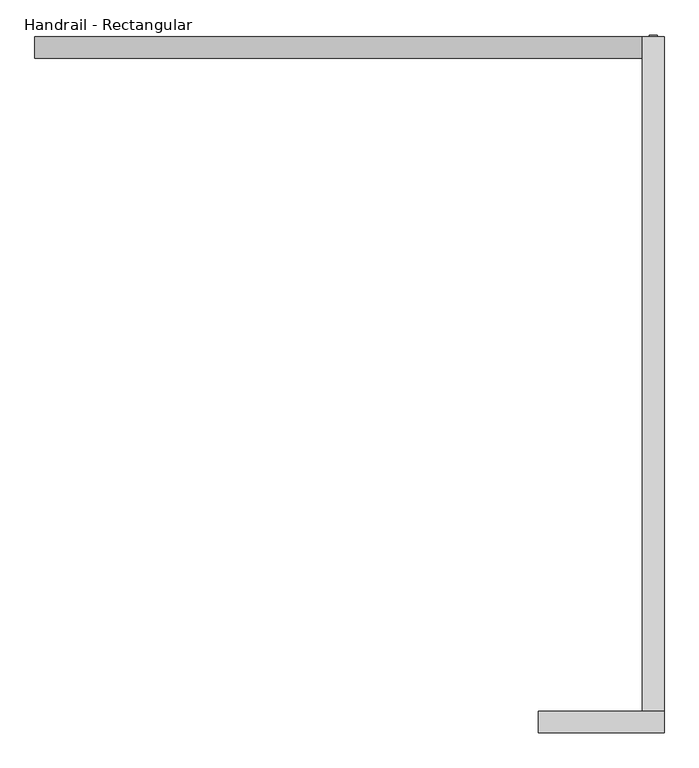
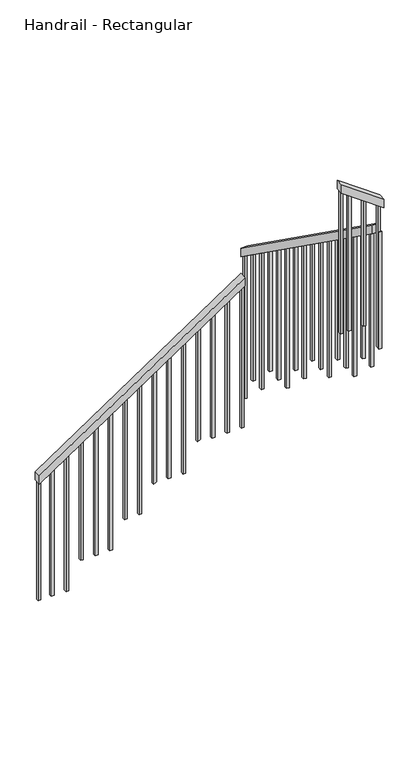
"""IFC4 building model written with IfcOpenShell, lengths in millimetres: railing geometry, Handrail - Rectangular."""

import ifcopenshell
import ifcopenshell.guid

model = None  # the IFC model being written
_history = None  # IfcOwnerHistory: only IFC2X3 demands one
_inside = {}  # id of a spatial element -> (the spatial element, [elements in it])
_under = {}  # id of a project, library or spatial element -> (it, [spatial elements below it])
_declared = {}  # id of a project -> (the project, [libraries it declares])
_typed = {}  # id of a type object -> (the type object, [elements of that type])
_made_of = {}  # id of a material, layer set ... -> (it, [elements and type objects made of it])


def new_model(schema):
    """Start an empty IFC model of exactly this schema.

    Asked for "IFC4X3", IfcOpenShell would pick the latest addendum, in which some entities
    have other attributes; the version numbers below select the first issue.
    IFC2X3 requires an IfcOwnerHistory on every rooted entity: one is made here for all.
    """
    global model, _history
    if schema == "IFC4X3":
        model = ifcopenshell.file(schema_version=(4, 3, 0, 0))
    else:
        model = ifcopenshell.file(schema=schema)
    _inside.clear()
    _under.clear()
    _declared.clear()
    _typed.clear()
    _made_of.clear()
    _history = None
    if model.schema == "IFC2X3":
        org = make("IfcOrganization", Name="unknown")
        user = make(
            "IfcPersonAndOrganization",
            ThePerson=make("IfcPerson", FamilyName="unknown"),
            TheOrganization=org,
        )
        app = make(
            "IfcApplication",
            ApplicationDeveloper=org,
            Version="unknown",
            ApplicationFullName="unknown",
            ApplicationIdentifier="unknown",
        )
        _history = make(
            "IfcOwnerHistory",
            OwningUser=user,
            OwningApplication=app,
            ChangeAction="ADDED",
            CreationDate=0,
        )
    return model


def make(cls, **values):
    """One entity of the class cls with the attributes given. An attribute that is None is left unset."""
    return model.create_entity(
        cls, **{name: value for name, value in values.items() if value is not None}
    )


def rooted(cls, **values):
    """An entity with a GlobalId (a new one), such as an element, a storey or a relation."""
    return make(cls, GlobalId=ifcopenshell.guid.new(), OwnerHistory=_history, **values)


def si_unit(unit_type, name, prefix=None):
    """IfcSIUnit, for example si_unit("LENGTHUNIT", "METRE", prefix="MILLI")."""
    return make("IfcSIUnit", UnitType=unit_type, Prefix=prefix, Name=name)


def assignment(units):
    """IfcUnitAssignment: the units of a project."""
    return None if units is None else make("IfcUnitAssignment", Units=units)


def point(xyz):
    """IfcCartesianPoint."""
    return None if xyz is None else make("IfcCartesianPoint", Coordinates=xyz)


def direction(xyz):
    """IfcDirection."""
    return None if xyz is None else make("IfcDirection", DirectionRatios=xyz)


def frame(location, z_axis=None, x_axis=None):
    """IfcAxis2Placement3D, a coordinate frame: its origin and axes. An axis left out is left unset."""
    return make(
        "IfcAxis2Placement3D",
        Location=point(location),
        Axis=direction(z_axis),
        RefDirection=direction(x_axis),
    )


def origin():
    """The frame at (0, 0, 0) with its axes left unset."""
    return frame((0.0, 0.0, 0.0))


def place(relative_to, where):
    """IfcLocalPlacement: puts the frame where relative to a parent placement (None: the world)."""
    return make(
        "IfcLocalPlacement", PlacementRelTo=relative_to, RelativePlacement=where
    )


def context(
    kind, dimensions, precision=None, world=None, true_north=None, identifier=None
):
    """IfcGeometricRepresentationContext, for example the 3D "Model" context."""
    return make(
        "IfcGeometricRepresentationContext",
        ContextIdentifier=identifier,
        ContextType=kind,
        CoordinateSpaceDimension=dimensions,
        Precision=precision,
        WorldCoordinateSystem=world,
        TrueNorth=true_north,
    )


def project(units=None, contexts=None):
    """IfcProject with its units and contexts."""
    return rooted(
        "IfcProject",
        Name="project",
        RepresentationContexts=contexts,
        UnitsInContext=assignment(units),
    )


def spatial(cls, under=None, at=None, **own):
    """A site, building, storey or space (cls), placed at a placement, below another one or the project."""
    s = rooted(cls, ObjectPlacement=at, **own)
    if under is not None:
        _under.setdefault(under.id(), (under, []))[1].append(s)
    return s


def polyline(points):
    """IfcPolyline through the points."""
    return make("IfcPolyline", Points=[point(p) for p in points])


def outline(outer, holes=None, kind="AREA"):
    """IfcArbitraryClosedProfileDef: a profile drawn as a closed curve; with holes, ...WithVoids."""
    if holes is None:
        return make("IfcArbitraryClosedProfileDef", ProfileType=kind, OuterCurve=outer)
    return make(
        "IfcArbitraryProfileDefWithVoids",
        ProfileType=kind,
        OuterCurve=outer,
        InnerCurves=holes,
    )


def extrude(swept, where, along, depth):
    """IfcExtrudedAreaSolid: the profile swept, set in the frame where, extruded along a direction by depth."""
    return make(
        "IfcExtrudedAreaSolid",
        SweptArea=swept,
        Position=where,
        ExtrudedDirection=direction(along),
        Depth=depth,
    )


def shape(context_of_items, identifier, shape_type, items):
    """IfcShapeRepresentation: the items that make up one representation, for example the "Body"."""
    return make(
        "IfcShapeRepresentation",
        ContextOfItems=context_of_items,
        RepresentationIdentifier=identifier,
        RepresentationType=shape_type,
        Items=items,
    )


def source(mapping_origin, context_of_items, identifier, shape_type, items):
    """IfcRepresentationMap: a shape defined once, which mapped items show again and again."""
    return make(
        "IfcRepresentationMap",
        MappingOrigin=mapping_origin,
        MappedRepresentation=shape(context_of_items, identifier, shape_type, items),
    )


def transform(
    local_origin,
    x_axis=None,
    y_axis=None,
    z_axis=None,
    scale=None,
    scale2=None,
    scale3=None,
    uniform=True,
):
    """IfcCartesianTransformationOperator3D, or its non-uniform kind. x_axis, y_axis, z_axis: its Axis1, 2, 3."""
    if uniform:
        return make(
            "IfcCartesianTransformationOperator3D",
            Axis1=direction(x_axis),
            Axis2=direction(y_axis),
            LocalOrigin=point(local_origin),
            Scale=scale,
            Axis3=direction(z_axis),
        )
    return make(
        "IfcCartesianTransformationOperator3DnonUniform",
        Axis1=direction(x_axis),
        Axis2=direction(y_axis),
        LocalOrigin=point(local_origin),
        Scale=scale,
        Axis3=direction(z_axis),
        Scale2=scale2,
        Scale3=scale3,
    )


def mapped(mapping_source, mapping_target):
    """IfcMappedItem: shows the shape of a source again, moved by a transform."""
    return make(
        "IfcMappedItem", MappingSource=mapping_source, MappingTarget=mapping_target
    )


def made_of(thing, what):
    """Note that an element or type object is made of a material, layer set ...; save() writes the relation."""
    if what is not None:
        _made_of.setdefault(what.id(), (what, []))[1].append(thing)
    return thing


def element(
    cls,
    number,
    at=None,
    inside=None,
    cuts=None,
    type_object=None,
    material=None,
    context=None,
    identifier="Body",
    shape_type=None,
    held_by="IfcProductDefinitionShape",
    body=None,
    shapes=None,
    **own,
):
    """One element of the class cls, such as IfcWall. Its Tag is "e" and its number.

    at: its placement. inside: the storey or other place that contains it. cuts: it is an
    opening in that element (IfcRelVoidsElement). A single representation is given by context,
    identifier, shape_type and body (its items); several are given by shapes. held_by: the class
    of the entity that holds the representations. save() writes the other relations.
    """
    e = rooted(cls, Tag="e%d" % number, ObjectPlacement=at, **own)
    if body is not None:
        shapes = [shape(context, identifier, shape_type, body)]
    if shapes is not None:
        e.Representation = make(held_by, Representations=shapes)
    if inside is not None:
        _inside.setdefault(inside.id(), (inside, []))[1].append(e)
    if cuts is not None:
        rooted(
            "IfcRelVoidsElement", RelatingBuildingElement=cuts, RelatedOpeningElement=e
        )
    if type_object is not None:
        _typed.setdefault(type_object.id(), (type_object, []))[1].append(e)
    return made_of(e, material)


def aggregate(whole, parts):
    """IfcRelAggregates: a whole, such as a stair, and the parts it consists of."""
    return rooted("IfcRelAggregates", RelatingObject=whole, RelatedObjects=parts)


def save(model, path):
    """Write the relations noted so far, then the file.

    IfcRelAggregates (storeys below a building ...), IfcRelContainedInSpatialStructure (elements
    in a storey), IfcRelDefinesByType, IfcRelAssociatesMaterial and IfcRelDeclares: one each for
    every whole, place, type object, material and project.
    """
    for whole, parts in _under.values():
        aggregate(whole, parts)
    for where, things in _inside.values():
        rooted(
            "IfcRelContainedInSpatialStructure",
            RelatedElements=things,
            RelatingStructure=where,
        )
    for kind, things in _typed.values():
        rooted("IfcRelDefinesByType", RelatedObjects=things, RelatingType=kind)
    for what, things in _made_of.values():
        rooted("IfcRelAssociatesMaterial", RelatedObjects=things, RelatingMaterial=what)
    for by, libraries in _declared.values():
        rooted("IfcRelDeclares", RelatingContext=by, RelatedDefinitions=libraries)
    model.write(path)


def handrail_rectangular_5cebe204(model_context):
    return source(origin(), model_context, "Body", "SweptSolid", [
        extrude(outline(polyline([(1515.6336803, 1464.0157898), (1454.527482, 1464.0157898), (2409.9388861, 2893.1657898), (2471.0450844, 2893.1657898), (1515.6336803, 1464.0157898)])), frame((0.0, -2342.5856101, 0.0), z_axis=(0.0, 1.0, 0.0), x_axis=(0.0, 0.0, 1.0)), (0.0, 0.0, 1.0), 50.8),
        extrude(outline(polyline([(-2291.7856101, 2655.6133333), (-2291.7856101, 2593.2058534), (-3877.3856101, 3724.6586929), (-3877.3856101, 3787.0661728), (-2291.7856101, 2655.6133333)])), frame((2893.1657898, 0.0, 0.0), z_axis=(1.0, 0.0, 0.0), x_axis=(0.0, 1.0, 0.0)), (0.0, 0.0, 1.0), 50.8),
        extrude(outline(polyline([(3927.6009151, 2943.9657898), (3990.0083951, 2943.9657898), (4200.8, 2648.5657898), (4138.3925201, 2648.5657898), (3927.6009151, 2943.9657898)])), frame((0.0, -3928.1856101, 0.0), z_axis=(0.0, 1.0, 0.0), x_axis=(0.0, 0.0, 1.0)), (0.0, 0.0, 1.0), 50.8),
        extrude(outline(polyline([(4083.9285077, 2724.8907898), (4097.5222114, 2705.8407898), (3093.7333333, 2705.8407898), (3093.7333333, 2724.8907898), (4083.9285077, 2724.8907898)])), frame((0.0, -3912.3106101, 0.0), z_axis=(0.0, 1.0, 0.0), x_axis=(0.0, 0.0, 1.0)), (0.0, 0.0, 1.0), 19.05),
        extrude(outline(polyline([(4011.4287547, 2826.4907898), (4025.0224584, 2807.4407898), (3093.7333333, 2807.4407898), (3093.7333333, 2826.4907898), (4011.4287547, 2826.4907898)])), frame((0.0, -3912.3106101, 0.0), z_axis=(0.0, 1.0, 0.0), x_axis=(0.0, 0.0, 1.0)), (0.0, 0.0, 1.0), 19.05),
        extrude(outline(polyline([(-3830.7106101, 3691.3523349), (-3811.6606101, 3677.7586312), (-3811.6606101, 2708.4), (-3830.7106101, 2708.4), (-3830.7106101, 3691.3523349)])), frame((2909.0407898, 0.0, 0.0), z_axis=(1.0, 0.0, 0.0), x_axis=(0.0, 1.0, 0.0)), (0.0, 0.0, 1.0), 19.05),
        extrude(outline(polyline([(-3729.1106101, 3618.8525818), (-3710.0606101, 3605.2588781), (-3710.0606101, 2708.4), (-3729.1106101, 2708.4), (-3729.1106101, 3618.8525818)])), frame((2909.0407898, 0.0, 0.0), z_axis=(1.0, 0.0, 0.0), x_axis=(0.0, 1.0, 0.0)), (0.0, 0.0, 1.0), 19.05),
        extrude(outline(polyline([(-3627.5106101, 3546.3528287), (-3608.4606101, 3532.759125), (-3608.4606101, 2515.7333333), (-3627.5106101, 2515.7333333), (-3627.5106101, 3546.3528287)])), frame((2909.0407898, 0.0, 0.0), z_axis=(1.0, 0.0, 0.0), x_axis=(0.0, 1.0, 0.0)), (0.0, 0.0, 1.0), 19.05),
        extrude(outline(polyline([(-3525.9106101, 3473.8530756), (-3506.8606101, 3460.2593719), (-3506.8606101, 2515.7333333), (-3525.9106101, 2515.7333333), (-3525.9106101, 3473.8530756)])), frame((2909.0407898, 0.0, 0.0), z_axis=(1.0, 0.0, 0.0), x_axis=(0.0, 1.0, 0.0)), (0.0, 0.0, 1.0), 19.05),
        extrude(outline(polyline([(-3424.3106101, 3401.3533226), (-3405.2606101, 3387.7596188), (-3405.2606101, 2515.7333333), (-3424.3106101, 2515.7333333), (-3424.3106101, 3401.3533226)])), frame((2909.0407898, 0.0, 0.0), z_axis=(1.0, 0.0, 0.0), x_axis=(0.0, 1.0, 0.0)), (0.0, 0.0, 1.0), 19.05),
        extrude(outline(polyline([(-3322.7106101, 3328.8535695), (-3303.6606101, 3315.2598658), (-3303.6606101, 2323.0666667), (-3322.7106101, 2323.0666667), (-3322.7106101, 3328.8535695)])), frame((2909.0407898, 0.0, 0.0), z_axis=(1.0, 0.0, 0.0), x_axis=(0.0, 1.0, 0.0)), (0.0, 0.0, 1.0), 19.05),
        extrude(outline(polyline([(-3221.1106101, 3256.3538164), (-3202.0606101, 3242.7601127), (-3202.0606101, 2323.0666667), (-3221.1106101, 2323.0666667), (-3221.1106101, 3256.3538164)])), frame((2909.0407898, 0.0, 0.0), z_axis=(1.0, 0.0, 0.0), x_axis=(0.0, 1.0, 0.0)), (0.0, 0.0, 1.0), 19.05),
        extrude(outline(polyline([(-3119.5106101, 3183.8540633), (-3100.4606101, 3170.2603596), (-3100.4606101, 2323.0666667), (-3119.5106101, 2323.0666667), (-3119.5106101, 3183.8540633)])), frame((2909.0407898, 0.0, 0.0), z_axis=(1.0, 0.0, 0.0), x_axis=(0.0, 1.0, 0.0)), (0.0, 0.0, 1.0), 19.05),
        extrude(outline(polyline([(-3017.9106101, 3111.3543102), (-2998.8606101, 3097.7606065), (-2998.8606101, 2130.4), (-3017.9106101, 2130.4), (-3017.9106101, 3111.3543102)])), frame((2909.0407898, 0.0, 0.0), z_axis=(1.0, 0.0, 0.0), x_axis=(0.0, 1.0, 0.0)), (0.0, 0.0, 1.0), 19.05),
        extrude(outline(polyline([(-2916.3106101, 3038.8545571), (-2897.2606101, 3025.2608534), (-2897.2606101, 2130.4), (-2916.3106101, 2130.4), (-2916.3106101, 3038.8545571)])), frame((2909.0407898, 0.0, 0.0), z_axis=(1.0, 0.0, 0.0), x_axis=(0.0, 1.0, 0.0)), (0.0, 0.0, 1.0), 19.05),
        extrude(outline(polyline([(-2814.7106101, 2966.354804), (-2795.6606101, 2952.7611003), (-2795.6606101, 1937.7333333), (-2814.7106101, 1937.7333333), (-2814.7106101, 2966.354804)])), frame((2909.0407898, 0.0, 0.0), z_axis=(1.0, 0.0, 0.0), x_axis=(0.0, 1.0, 0.0)), (0.0, 0.0, 1.0), 19.05),
        extrude(outline(polyline([(-2713.1106101, 2893.8550509), (-2694.0606101, 2880.2613472), (-2694.0606101, 1937.7333333), (-2713.1106101, 1937.7333333), (-2713.1106101, 2893.8550509)])), frame((2909.0407898, 0.0, 0.0), z_axis=(1.0, 0.0, 0.0), x_axis=(0.0, 1.0, 0.0)), (0.0, 0.0, 1.0), 19.05),
        extrude(outline(polyline([(-2611.5106101, 2821.3552979), (-2592.4606101, 2807.7615942), (-2592.4606101, 1937.7333333), (-2611.5106101, 1937.7333333), (-2611.5106101, 2821.3552979)])), frame((2909.0407898, 0.0, 0.0), z_axis=(1.0, 0.0, 0.0), x_axis=(0.0, 1.0, 0.0)), (0.0, 0.0, 1.0), 19.05),
        extrude(outline(polyline([(-2509.9106101, 2748.8555448), (-2490.8606101, 2735.2618411), (-2490.8606101, 1745.0666667), (-2509.9106101, 1745.0666667), (-2509.9106101, 2748.8555448)])), frame((2909.0407898, 0.0, 0.0), z_axis=(1.0, 0.0, 0.0), x_axis=(0.0, 1.0, 0.0)), (0.0, 0.0, 1.0), 19.05),
        extrude(outline(polyline([(-2408.3106101, 2676.3557917), (-2389.2606101, 2662.762088), (-2389.2606101, 1745.0666667), (-2408.3106101, 1745.0666667), (-2408.3106101, 2676.3557917)])), frame((2909.0407898, 0.0, 0.0), z_axis=(1.0, 0.0, 0.0), x_axis=(0.0, 1.0, 0.0)), (0.0, 0.0, 1.0), 19.05),
        extrude(outline(polyline([(2411.7940214, 2895.9407898), (2399.0587681, 2876.8907898), (1359.7333333, 2876.8907898), (1359.7333333, 2895.9407898), (2411.7940214, 2895.9407898)])), frame((0.0, -2326.7106101, 0.0), z_axis=(0.0, 1.0, 0.0), x_axis=(0.0, 0.0, 1.0)), (0.0, 0.0, 1.0), 19.05),
        extrude(outline(polyline([(2343.8726705, 2794.3407898), (2331.1374172, 2775.2907898), (1359.7333333, 2775.2907898), (1359.7333333, 2794.3407898), (2343.8726705, 2794.3407898)])), frame((0.0, -2326.7106101, 0.0), z_axis=(0.0, 1.0, 0.0), x_axis=(0.0, 0.0, 1.0)), (0.0, 0.0, 1.0), 19.05),
        extrude(outline(polyline([(2275.9513196, 2692.7407898), (2263.2160663, 2673.6907898), (1359.7333333, 2673.6907898), (1359.7333333, 2692.7407898), (2275.9513196, 2692.7407898)])), frame((0.0, -2326.7106101, 0.0), z_axis=(0.0, 1.0, 0.0), x_axis=(0.0, 0.0, 1.0)), (0.0, 0.0, 1.0), 19.05),
        extrude(outline(polyline([(2208.0299687, 2591.1407898), (2195.2947154, 2572.0907898), (1367.5632671, 2572.0907898), (1380.2985204, 2591.1407898), (2208.0299687, 2591.1407898)])), frame((0.0, -2326.7106101, 0.0), z_axis=(0.0, 1.0, 0.0), x_axis=(0.0, 0.0, 1.0)), (0.0, 0.0, 1.0), 19.05),
        extrude(outline(polyline([(2140.1086177, 2489.5407898), (2127.3733644, 2470.4907898), (1167.0666667, 2470.4907898), (1167.0666667, 2489.5407898), (2140.1086177, 2489.5407898)])), frame((0.0, -2326.7106101, 0.0), z_axis=(0.0, 1.0, 0.0), x_axis=(0.0, 0.0, 1.0)), (0.0, 0.0, 1.0), 19.05),
        extrude(outline(polyline([(2072.1872668, 2387.9407898), (2059.4520135, 2368.8907898), (1167.0666667, 2368.8907898), (1167.0666667, 2387.9407898), (2072.1872668, 2387.9407898)])), frame((0.0, -2326.7106101, 0.0), z_axis=(0.0, 1.0, 0.0), x_axis=(0.0, 0.0, 1.0)), (0.0, 0.0, 1.0), 19.05),
        extrude(outline(polyline([(2004.2659159, 2286.3407898), (1991.5306626, 2267.2907898), (1163.7992143, 2267.2907898), (1176.5344676, 2286.3407898), (2004.2659159, 2286.3407898)])), frame((0.0, -2326.7106101, 0.0), z_axis=(0.0, 1.0, 0.0), x_axis=(0.0, 0.0, 1.0)), (0.0, 0.0, 1.0), 19.05),
        extrude(outline(polyline([(1936.344565, 2184.7407898), (1923.6093117, 2165.6907898), (974.4, 2165.6907898), (974.4, 2184.7407898), (1936.344565, 2184.7407898)])), frame((0.0, -2326.7106101, 0.0), z_axis=(0.0, 1.0, 0.0), x_axis=(0.0, 0.0, 1.0)), (0.0, 0.0, 1.0), 19.05),
        extrude(outline(polyline([(1868.4232141, 2083.1407898), (1855.6879608, 2064.0907898), (974.4, 2064.0907898), (974.4, 2083.1407898), (1868.4232141, 2083.1407898)])), frame((0.0, -2326.7106101, 0.0), z_axis=(0.0, 1.0, 0.0), x_axis=(0.0, 0.0, 1.0)), (0.0, 0.0, 1.0), 19.05),
        extrude(outline(polyline([(1800.5018632, 1981.5407898), (1787.7666099, 1962.4907898), (781.7333333, 1962.4907898), (781.7333333, 1981.5407898), (1800.5018632, 1981.5407898)])), frame((0.0, -2326.7106101, 0.0), z_axis=(0.0, 1.0, 0.0), x_axis=(0.0, 0.0, 1.0)), (0.0, 0.0, 1.0), 19.05),
        extrude(outline(polyline([(1732.5805123, 1879.9407898), (1719.845259, 1860.8907898), (781.7333333, 1860.8907898), (781.7333333, 1879.9407898), (1732.5805123, 1879.9407898)])), frame((0.0, -2326.7106101, 0.0), z_axis=(0.0, 1.0, 0.0), x_axis=(0.0, 0.0, 1.0)), (0.0, 0.0, 1.0), 19.05),
        extrude(outline(polyline([(1664.6591613, 1778.3407898), (1651.9239081, 1759.2907898), (781.7333333, 1759.2907898), (781.7333333, 1778.3407898), (1664.6591613, 1778.3407898)])), frame((0.0, -2326.7106101, 0.0), z_axis=(0.0, 1.0, 0.0), x_axis=(0.0, 0.0, 1.0)), (0.0, 0.0, 1.0), 19.05),
        extrude(outline(polyline([(1596.7378104, 1676.7407898), (1584.0025571, 1657.6907898), (589.0666667, 1657.6907898), (589.0666667, 1676.7407898), (1596.7378104, 1676.7407898)])), frame((0.0, -2326.7106101, 0.0), z_axis=(0.0, 1.0, 0.0), x_axis=(0.0, 0.0, 1.0)), (0.0, 0.0, 1.0), 19.05),
        extrude(outline(polyline([(1528.8164595, 1575.1407898), (1516.0812062, 1556.0907898), (589.0666667, 1556.0907898), (589.0666667, 1575.1407898), (1528.8164595, 1575.1407898)])), frame((0.0, -2326.7106101, 0.0), z_axis=(0.0, 1.0, 0.0), x_axis=(0.0, 0.0, 1.0)), (0.0, 0.0, 1.0), 19.05),
        extrude(outline(polyline([(3938.9290016, 2928.0907898), (3952.5227053, 2909.0407898), (2901.0666667, 2909.0407898), (2901.0666667, 2928.0907898), (3938.9290016, 2928.0907898)])), frame((0.0, -3912.3106101, 0.0), z_axis=(0.0, 1.0, 0.0), x_axis=(0.0, 0.0, 1.0)), (0.0, 0.0, 1.0), 19.05),
        extrude(outline(polyline([(-3926.7106101, 3759.8560386), (-3907.6606101, 3746.2623349), (-3907.6606101, 2901.0666667), (-3926.7106101, 2901.0666667), (-3926.7106101, 3759.8560386)])), frame((2909.0407898, 0.0, 0.0), z_axis=(1.0, 0.0, 0.0), x_axis=(0.0, 1.0, 0.0)), (0.0, 0.0, 1.0), 19.05),
        extrude(outline(polyline([(-2306.7106101, 2603.8560386), (-2287.6606101, 2590.2623349), (-2287.6606101, 1552.4), (-2306.7106101, 1552.4), (-2306.7106101, 2603.8560386)])), frame((2909.0407898, 0.0, 0.0), z_axis=(1.0, 0.0, 0.0), x_axis=(0.0, 1.0, 0.0)), (0.0, 0.0, 1.0), 19.05),
        extrude(outline(polyline([(2412.0614283, 2896.3407898), (2399.326175, 2877.2907898), (1552.4, 2877.2907898), (1552.4, 2896.3407898), (2412.0614283, 2896.3407898)])), frame((0.0, -2326.7106101, 0.0), z_axis=(0.0, 1.0, 0.0), x_axis=(0.0, 0.0, 1.0)), (0.0, 0.0, 1.0), 19.05),
        extrude(outline(polyline([(4124.7988164, 2667.6157898), (4138.3925201, 2648.5657898), (3093.7333333, 2648.5657898), (3093.7333333, 2667.6157898), (4124.7988164, 2667.6157898)])), frame((0.0, -3912.3106101, 0.0), z_axis=(0.0, 1.0, 0.0), x_axis=(0.0, 0.0, 1.0)), (0.0, 0.0, 1.0), 19.05),
        extrude(outline(polyline([(1467.2627353, 1483.0657898), (1454.527482, 1464.0157898), (589.0666667, 1464.0157898), (589.0666667, 1483.0657898), (1467.2627353, 1483.0657898)])), frame((0.0, -2326.7106101, 0.0), z_axis=(0.0, 1.0, 0.0), x_axis=(0.0, 0.0, 1.0)), (0.0, 0.0, 1.0), 19.05),
    ])


if __name__ == "__main__":
    model = new_model("IFC4")
    model_context = context("Model", 3, world=origin())
    ifc_project = project(units=[si_unit("LENGTHUNIT", "METRE", prefix="MILLI")], contexts=[model_context])
    site = spatial("IfcSite", under=ifc_project)
    building = spatial("IfcBuilding", under=site)
    placement = place(None, origin())
    handrail_rectangular_shape = handrail_rectangular_5cebe204(model_context)
    element("IfcRailing", 1, ObjectType="Handrail - Rectangular", at=placement, inside=building, context=model_context, shape_type="MappedRepresentation", body=[
        mapped(handrail_rectangular_shape, transform((0.0, 0.0, 0.0), x_axis=(1.0, 0.0, 0.0), y_axis=(0.0, 1.0, 0.0), z_axis=(0.0, 0.0, 1.0))),
    ])
    save(model, "model.ifc")
